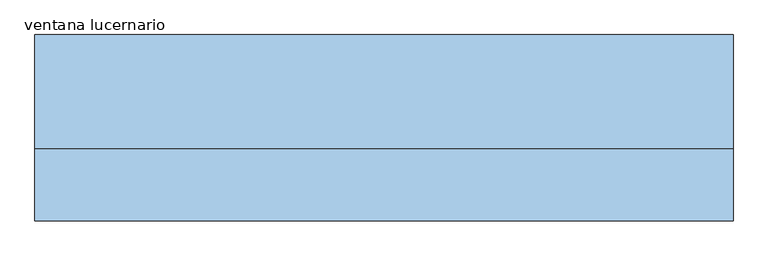
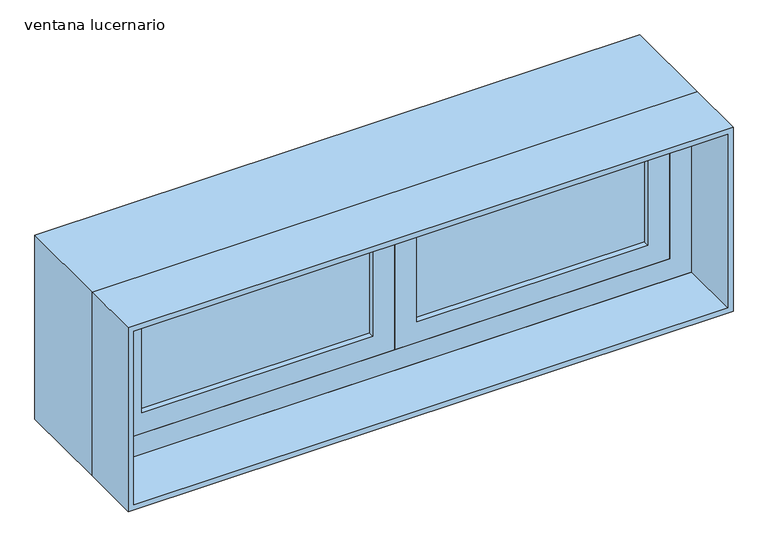
"""IFC4 building model written with IfcOpenShell, lengths in millimetres: window geometry, ventana lucernario."""

import ifcopenshell
import ifcopenshell.guid

model = None  # the IFC model being written
_history = None  # IfcOwnerHistory: only IFC2X3 demands one
_inside = {}  # id of a spatial element -> (the spatial element, [elements in it])
_under = {}  # id of a project, library or spatial element -> (it, [spatial elements below it])
_declared = {}  # id of a project -> (the project, [libraries it declares])
_typed = {}  # id of a type object -> (the type object, [elements of that type])
_made_of = {}  # id of a material, layer set ... -> (it, [elements and type objects made of it])


def new_model(schema):
    """Start an empty IFC model of exactly this schema.

    Asked for "IFC4X3", IfcOpenShell would pick the latest addendum, in which some entities
    have other attributes; the version numbers below select the first issue.
    IFC2X3 requires an IfcOwnerHistory on every rooted entity: one is made here for all.
    """
    global model, _history
    if schema == "IFC4X3":
        model = ifcopenshell.file(schema_version=(4, 3, 0, 0))
    else:
        model = ifcopenshell.file(schema=schema)
    _inside.clear()
    _under.clear()
    _declared.clear()
    _typed.clear()
    _made_of.clear()
    _history = None
    if model.schema == "IFC2X3":
        org = make("IfcOrganization", Name="unknown")
        user = make(
            "IfcPersonAndOrganization",
            ThePerson=make("IfcPerson", FamilyName="unknown"),
            TheOrganization=org,
        )
        app = make(
            "IfcApplication",
            ApplicationDeveloper=org,
            Version="unknown",
            ApplicationFullName="unknown",
            ApplicationIdentifier="unknown",
        )
        _history = make(
            "IfcOwnerHistory",
            OwningUser=user,
            OwningApplication=app,
            ChangeAction="ADDED",
            CreationDate=0,
        )
    return model


def make(cls, **values):
    """One entity of the class cls with the attributes given. An attribute that is None is left unset."""
    return model.create_entity(
        cls, **{name: value for name, value in values.items() if value is not None}
    )


def rooted(cls, **values):
    """An entity with a GlobalId (a new one), such as an element, a storey or a relation."""
    return make(cls, GlobalId=ifcopenshell.guid.new(), OwnerHistory=_history, **values)


def si_unit(unit_type, name, prefix=None):
    """IfcSIUnit, for example si_unit("LENGTHUNIT", "METRE", prefix="MILLI")."""
    return make("IfcSIUnit", UnitType=unit_type, Prefix=prefix, Name=name)


def assignment(units):
    """IfcUnitAssignment: the units of a project."""
    return None if units is None else make("IfcUnitAssignment", Units=units)


def point(xyz):
    """IfcCartesianPoint."""
    return None if xyz is None else make("IfcCartesianPoint", Coordinates=xyz)


def direction(xyz):
    """IfcDirection."""
    return None if xyz is None else make("IfcDirection", DirectionRatios=xyz)


def frame(location, z_axis=None, x_axis=None):
    """IfcAxis2Placement3D, a coordinate frame: its origin and axes. An axis left out is left unset."""
    return make(
        "IfcAxis2Placement3D",
        Location=point(location),
        Axis=direction(z_axis),
        RefDirection=direction(x_axis),
    )


def origin():
    """The frame at (0, 0, 0) with its axes left unset."""
    return frame((0.0, 0.0, 0.0))


def place(relative_to, where):
    """IfcLocalPlacement: puts the frame where relative to a parent placement (None: the world)."""
    return make(
        "IfcLocalPlacement", PlacementRelTo=relative_to, RelativePlacement=where
    )


def context(
    kind, dimensions, precision=None, world=None, true_north=None, identifier=None
):
    """IfcGeometricRepresentationContext, for example the 3D "Model" context."""
    return make(
        "IfcGeometricRepresentationContext",
        ContextIdentifier=identifier,
        ContextType=kind,
        CoordinateSpaceDimension=dimensions,
        Precision=precision,
        WorldCoordinateSystem=world,
        TrueNorth=true_north,
    )


def project(units=None, contexts=None):
    """IfcProject with its units and contexts."""
    return rooted(
        "IfcProject",
        Name="project",
        RepresentationContexts=contexts,
        UnitsInContext=assignment(units),
    )


def spatial(cls, under=None, at=None, **own):
    """A site, building, storey or space (cls), placed at a placement, below another one or the project."""
    s = rooted(cls, ObjectPlacement=at, **own)
    if under is not None:
        _under.setdefault(under.id(), (under, []))[1].append(s)
    return s


def polyline(points):
    """IfcPolyline through the points."""
    return make("IfcPolyline", Points=[point(p) for p in points])


def outline(outer, holes=None, kind="AREA"):
    """IfcArbitraryClosedProfileDef: a profile drawn as a closed curve; with holes, ...WithVoids."""
    if holes is None:
        return make("IfcArbitraryClosedProfileDef", ProfileType=kind, OuterCurve=outer)
    return make(
        "IfcArbitraryProfileDefWithVoids",
        ProfileType=kind,
        OuterCurve=outer,
        InnerCurves=holes,
    )


def extrude(swept, where, along, depth):
    """IfcExtrudedAreaSolid: the profile swept, set in the frame where, extruded along a direction by depth."""
    return make(
        "IfcExtrudedAreaSolid",
        SweptArea=swept,
        Position=where,
        ExtrudedDirection=direction(along),
        Depth=depth,
    )


def shape(context_of_items, identifier, shape_type, items):
    """IfcShapeRepresentation: the items that make up one representation, for example the "Body"."""
    return make(
        "IfcShapeRepresentation",
        ContextOfItems=context_of_items,
        RepresentationIdentifier=identifier,
        RepresentationType=shape_type,
        Items=items,
    )


def source(mapping_origin, context_of_items, identifier, shape_type, items):
    """IfcRepresentationMap: a shape defined once, which mapped items show again and again."""
    return make(
        "IfcRepresentationMap",
        MappingOrigin=mapping_origin,
        MappedRepresentation=shape(context_of_items, identifier, shape_type, items),
    )


def transform(
    local_origin,
    x_axis=None,
    y_axis=None,
    z_axis=None,
    scale=None,
    scale2=None,
    scale3=None,
    uniform=True,
):
    """IfcCartesianTransformationOperator3D, or its non-uniform kind. x_axis, y_axis, z_axis: its Axis1, 2, 3."""
    if uniform:
        return make(
            "IfcCartesianTransformationOperator3D",
            Axis1=direction(x_axis),
            Axis2=direction(y_axis),
            LocalOrigin=point(local_origin),
            Scale=scale,
            Axis3=direction(z_axis),
        )
    return make(
        "IfcCartesianTransformationOperator3DnonUniform",
        Axis1=direction(x_axis),
        Axis2=direction(y_axis),
        LocalOrigin=point(local_origin),
        Scale=scale,
        Axis3=direction(z_axis),
        Scale2=scale2,
        Scale3=scale3,
    )


def mapped(mapping_source, mapping_target):
    """IfcMappedItem: shows the shape of a source again, moved by a transform."""
    return make(
        "IfcMappedItem", MappingSource=mapping_source, MappingTarget=mapping_target
    )


def made_of(thing, what):
    """Note that an element or type object is made of a material, layer set ...; save() writes the relation."""
    if what is not None:
        _made_of.setdefault(what.id(), (what, []))[1].append(thing)
    return thing


def element(
    cls,
    number,
    at=None,
    inside=None,
    cuts=None,
    type_object=None,
    material=None,
    context=None,
    identifier="Body",
    shape_type=None,
    held_by="IfcProductDefinitionShape",
    body=None,
    shapes=None,
    **own,
):
    """One element of the class cls, such as IfcWall. Its Tag is "e" and its number.

    at: its placement. inside: the storey or other place that contains it. cuts: it is an
    opening in that element (IfcRelVoidsElement). A single representation is given by context,
    identifier, shape_type and body (its items); several are given by shapes. held_by: the class
    of the entity that holds the representations. save() writes the other relations.
    """
    e = rooted(cls, Tag="e%d" % number, ObjectPlacement=at, **own)
    if body is not None:
        shapes = [shape(context, identifier, shape_type, body)]
    if shapes is not None:
        e.Representation = make(held_by, Representations=shapes)
    if inside is not None:
        _inside.setdefault(inside.id(), (inside, []))[1].append(e)
    if cuts is not None:
        rooted(
            "IfcRelVoidsElement", RelatingBuildingElement=cuts, RelatedOpeningElement=e
        )
    if type_object is not None:
        _typed.setdefault(type_object.id(), (type_object, []))[1].append(e)
    return made_of(e, material)


def aggregate(whole, parts):
    """IfcRelAggregates: a whole, such as a stair, and the parts it consists of."""
    return rooted("IfcRelAggregates", RelatingObject=whole, RelatedObjects=parts)


def save(model, path):
    """Write the relations noted so far, then the file.

    IfcRelAggregates (storeys below a building ...), IfcRelContainedInSpatialStructure (elements
    in a storey), IfcRelDefinesByType, IfcRelAssociatesMaterial and IfcRelDeclares: one each for
    every whole, place, type object, material and project.
    """
    for whole, parts in _under.values():
        aggregate(whole, parts)
    for where, things in _inside.values():
        rooted(
            "IfcRelContainedInSpatialStructure",
            RelatedElements=things,
            RelatingStructure=where,
        )
    for kind, things in _typed.values():
        rooted("IfcRelDefinesByType", RelatedObjects=things, RelatingType=kind)
    for what, things in _made_of.values():
        rooted("IfcRelAssociatesMaterial", RelatedObjects=things, RelatingMaterial=what)
    for by, libraries in _declared.values():
        rooted("IfcRelDeclares", RelatingContext=by, RelatedDefinitions=libraries)
    model.write(path)


def ventana_lucernario_aa1626f1(model_context):
    return source(origin(), model_context, "Body", "SweptSolid", [
        extrude(outline(polyline([(1255.0, -750.0), (875.0, -750.0), (875.0, 0.0), (1255.0, 0.0), (1255.0, -750.0)]), holes=[polyline([(1195.0, -60.0), (935.0, -60.0), (935.0, -690.0), (1195.0, -690.0), (1195.0, -60.0)])]), frame((0.0, 75.0, 0.0), z_axis=(0.0, 1.0, 0.0), x_axis=(0.0, 0.0, 1.0)), (0.0, 0.0, 1.0), 60.0),
        extrude(outline(polyline([(1255.0, 0.0), (875.0, 0.0), (875.0, 750.0), (1255.0, 750.0), (1255.0, 0.0)]), holes=[polyline([(1195.0, 60.0), (1195.0, 690.0), (935.0, 690.0), (935.0, 60.0), (1195.0, 60.0)])]), frame((0.0, 75.0, 0.0), z_axis=(0.0, 1.0, 0.0), x_axis=(0.0, 0.0, 1.0)), (0.0, 0.0, 1.0), 60.0),
        extrude(outline(polyline([(1330.0, 825.0), (1330.0, -825.0), (800.0, -825.0), (800.0, 825.0), (1330.0, 825.0)]), holes=[polyline([(815.0, 810.0), (815.0, -810.0), (1315.0, -810.0), (1315.0, 810.0), (815.0, 810.0)])]), frame((0.0, -95.0, 0.0), z_axis=(0.0, 1.0, 0.0), x_axis=(0.0, 0.0, 1.0)), (0.0, 0.0, 1.0), 170.0),
        extrude(outline(polyline([(1330.0, -825.0), (800.0, -825.0), (800.0, 825.0), (1330.0, 825.0), (1330.0, -825.0)]), holes=[polyline([(815.0, 810.0), (815.0, -810.0), (1315.0, -810.0), (1315.0, 810.0), (815.0, 810.0)])]), frame((0.0, 75.0, 0.0), z_axis=(0.0, 1.0, 0.0), x_axis=(0.0, 0.0, 1.0)), (0.0, 0.0, 1.0), 270.0),
        extrude(outline(polyline([(690.0, 90.0), (60.0, 90.0), (60.0, 120.0), (690.0, 120.0), (690.0, 90.0)])), frame((0.0, 0.0, 935.0), z_axis=(0.0, 0.0, 1.0), x_axis=(1.0, 0.0, 0.0)), (0.0, 0.0, 1.0), 260.0),
        extrude(outline(polyline([(-60.0, 90.0), (-690.0, 90.0), (-690.0, 120.0), (-60.0, 120.0), (-60.0, 90.0)])), frame((0.0, 0.0, 935.0), z_axis=(0.0, 0.0, 1.0), x_axis=(1.0, 0.0, 0.0)), (0.0, 0.0, 1.0), 260.0),
        extrude(outline(polyline([(1315.0, -810.0), (815.0, -810.0), (815.0, 810.0), (1315.0, 810.0), (1315.0, -810.0)]), holes=[polyline([(1255.0, -750.0), (1255.0, 750.0), (875.0, 750.0), (875.0, -750.0), (1255.0, -750.0)])]), frame((0.0, 75.0, 0.0), z_axis=(0.0, 1.0, 0.0), x_axis=(0.0, 0.0, 1.0)), (0.0, 0.0, 1.0), 60.0),
    ])


if __name__ == "__main__":
    model = new_model("IFC4")
    model_context = context("Model", 3, world=origin())
    ifc_project = project(units=[si_unit("LENGTHUNIT", "METRE", prefix="MILLI")], contexts=[model_context])
    site = spatial("IfcSite", under=ifc_project)
    building = spatial("IfcBuilding", under=site)
    placement = place(None, origin())
    ventana_lucernario_shape = ventana_lucernario_aa1626f1(model_context)
    element("IfcWindow", 1, ObjectType="ventana lucernario", at=placement, inside=building, context=model_context, shape_type="MappedRepresentation", body=[
        mapped(ventana_lucernario_shape, transform((0.0, 0.0, 0.0), x_axis=(1.0, 0.0, 0.0), y_axis=(0.0, 1.0, 0.0), z_axis=(0.0, 0.0, 1.0))),
    ])
    save(model, "model.ifc")
